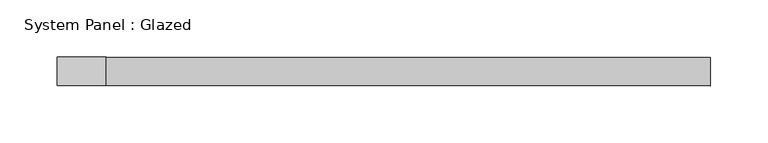
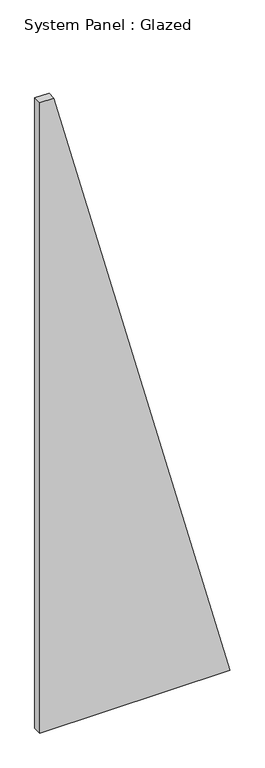
"""IFC4 building model written with IfcOpenShell, lengths in millimetres: plate geometry, System Panel : Glazed."""

from ifc_helpers import new_model, si_unit, frame, origin, place, context, project, spatial, polyline, outline, extrude, source, transform, mapped, element, save


def system_panel_glazed_e58ab0cf(model_context):
    return source(origin(), model_context, "Body", "SweptSolid", [
        extrude(outline(polyline([(0.0, -285.7142856), (0.0, 285.7142856), (2000.0, -242.857143), (2000.0, -285.7142856), (0.0, -285.7142856)])), frame((0.0, 24.5, 0.0), z_axis=(0.0, 1.0, 0.0), x_axis=(0.0, 0.0, 1.0)), (0.0, 0.0, 1.0), 25.0),
    ])


if __name__ == "__main__":
    model = new_model("IFC4")
    model_context = context("Model", 3, world=origin())
    ifc_project = project(units=[si_unit("LENGTHUNIT", "METRE", prefix="MILLI")], contexts=[model_context])
    site = spatial("IfcSite", under=ifc_project)
    building = spatial("IfcBuilding", under=site)
    placement = place(None, origin())
    system_panel_glazed_shape = system_panel_glazed_e58ab0cf(model_context)
    element("IfcPlate", 1, ObjectType="System Panel : Glazed", at=placement, inside=building, context=model_context, shape_type="MappedRepresentation", body=[
        mapped(system_panel_glazed_shape, transform((0.0, 0.0, 0.0), x_axis=(1.0, 0.0, 0.0), y_axis=(0.0, 1.0, 0.0), z_axis=(0.0, 0.0, 1.0))),
    ])
    save(model, "model.ifc")
